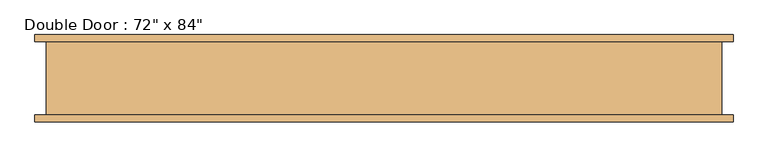
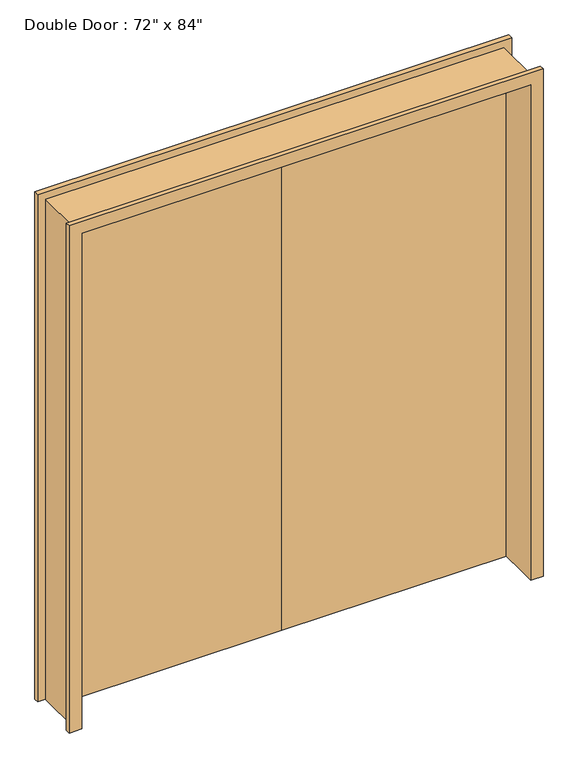
"""IFC4 building model written with IfcOpenShell, lengths in millimetres: door geometry."""

from ifc_helpers import new_model, si_unit, origin, origin_with_axes, place, context, project, spatial, polyline, outline, extrude, faceted_brep, source, transform, mapped, element, save


def door_1867a50f(model_context):
    return source(origin(), model_context, "Body", "SolidModel", [
        faceted_brep([(-965.2, -101.6, 0.0), (-933.45, -101.6, 0.0), (-933.45, 101.6, 0.0), (-965.2, 101.6, 0.0), (-965.2, 120.65, 0.0), (-914.4, 120.65, 0.0), (-914.4, -120.65, 0.0), (-965.2, -120.65, 0.0), (-965.2, -101.6, 2184.4), (965.2, -101.6, 2184.4), (965.2, -101.6, 0.0), (933.45, -101.6, 0.0), (933.45, -101.6, 2152.65), (-933.45, -101.6, 2152.65), (-933.45, 101.6, 2152.65), (933.45, 101.6, 2152.65), (933.45, 101.6, 0.0), (965.2, 101.6, 0.0), (965.2, 101.6, 2184.4), (-965.2, 101.6, 2184.4), (-965.2, 120.65, 2184.4), (965.2, 120.65, 2184.4), (965.2, 120.65, 0.0), (914.4, 120.65, 0.0), (914.4, 120.65, 2133.6), (-914.4, 120.65, 2133.6), (-914.4, -120.65, 2133.6), (914.4, -120.65, 2133.6), (914.4, -120.65, 0.0), (965.2, -120.65, 0.0), (965.2, -120.65, 2184.4), (-965.2, -120.65, 2184.4)], [[[0, 1, 2, 3, 4, 5, 6, 7]], [[1, 0, 8, 9, 10, 11, 12, 13]], [[2, 1, 13, 14]], [[3, 2, 14, 15, 16, 17, 18, 19]], [[4, 3, 19, 20]], [[5, 4, 20, 21, 22, 23, 24, 25]], [[6, 5, 25, 26]], [[7, 6, 26, 27, 28, 29, 30, 31]], [[0, 7, 31, 8]], [[13, 12, 15, 14]], [[19, 18, 21, 20]], [[25, 24, 27, 26]], [[9, 8, 31, 30]], [[11, 10, 29, 28, 23, 22, 17, 16]], [[12, 11, 16, 15]], [[18, 17, 22, 21]], [[24, 23, 28, 27]], [[10, 9, 30, 29]]]),
        extrude(outline(polyline([(0.0, 101.6), (914.4, 101.6), (914.4, 50.8), (0.0, 50.8), (0.0, 101.6)])), origin_with_axes(), (0.0, 0.0, 1.0), 2133.6),
        extrude(outline(polyline([(0.0, 50.8), (-914.4, 50.8), (-914.4, 101.6), (0.0, 101.6), (0.0, 50.8)])), origin_with_axes(), (0.0, 0.0, 1.0), 2133.6),
    ])


if __name__ == "__main__":
    model = new_model("IFC4")
    model_context = context("Model", 3, world=origin())
    ifc_project = project(units=[si_unit("LENGTHUNIT", "METRE", prefix="MILLI")], contexts=[model_context])
    site = spatial("IfcSite", under=ifc_project)
    building = spatial("IfcBuilding", under=site)
    placement = place(None, origin())
    door_shape = door_1867a50f(model_context)
    element("IfcDoor", 1, ObjectType="Double Door : 72\" x 84\"", at=placement, inside=building, context=model_context, shape_type="MappedRepresentation", body=[
        mapped(door_shape, transform((0.0, 0.0, 0.0), x_axis=(1.0, 0.0, 0.0), y_axis=(0.0, 1.0, 0.0), z_axis=(0.0, 0.0, 1.0))),
    ])
    save(model, "model.ifc")
